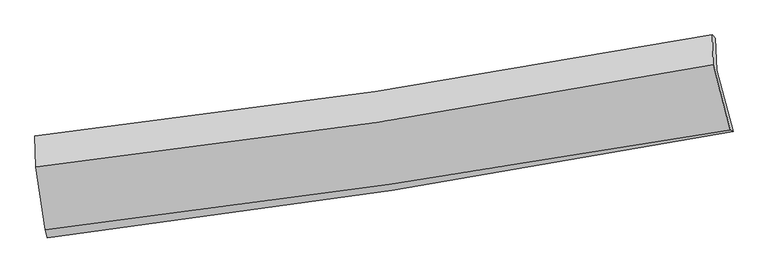
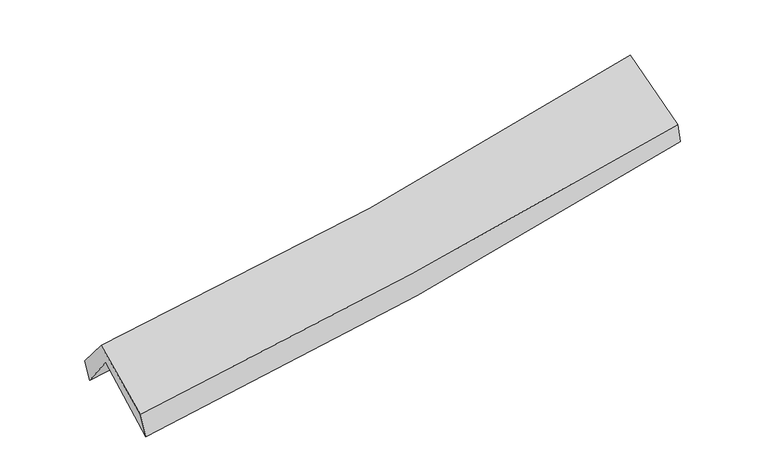
"""IFC4 building model written with IfcOpenShell, lengths in millimetres: proxy geometry."""

import ifcopenshell
import ifcopenshell.guid

model = None  # the IFC model being written
_history = None  # IfcOwnerHistory: only IFC2X3 demands one
_inside = {}  # id of a spatial element -> (the spatial element, [elements in it])
_under = {}  # id of a project, library or spatial element -> (it, [spatial elements below it])
_declared = {}  # id of a project -> (the project, [libraries it declares])
_typed = {}  # id of a type object -> (the type object, [elements of that type])
_made_of = {}  # id of a material, layer set ... -> (it, [elements and type objects made of it])


def new_model(schema):
    """Start an empty IFC model of exactly this schema.

    Asked for "IFC4X3", IfcOpenShell would pick the latest addendum, in which some entities
    have other attributes; the version numbers below select the first issue.
    IFC2X3 requires an IfcOwnerHistory on every rooted entity: one is made here for all.
    """
    global model, _history
    if schema == "IFC4X3":
        model = ifcopenshell.file(schema_version=(4, 3, 0, 0))
    else:
        model = ifcopenshell.file(schema=schema)
    _inside.clear()
    _under.clear()
    _declared.clear()
    _typed.clear()
    _made_of.clear()
    _history = None
    if model.schema == "IFC2X3":
        org = make("IfcOrganization", Name="unknown")
        user = make(
            "IfcPersonAndOrganization",
            ThePerson=make("IfcPerson", FamilyName="unknown"),
            TheOrganization=org,
        )
        app = make(
            "IfcApplication",
            ApplicationDeveloper=org,
            Version="unknown",
            ApplicationFullName="unknown",
            ApplicationIdentifier="unknown",
        )
        _history = make(
            "IfcOwnerHistory",
            OwningUser=user,
            OwningApplication=app,
            ChangeAction="ADDED",
            CreationDate=0,
        )
    return model


def make(cls, **values):
    """One entity of the class cls with the attributes given. An attribute that is None is left unset."""
    return model.create_entity(
        cls, **{name: value for name, value in values.items() if value is not None}
    )


def rooted(cls, **values):
    """An entity with a GlobalId (a new one), such as an element, a storey or a relation."""
    return make(cls, GlobalId=ifcopenshell.guid.new(), OwnerHistory=_history, **values)


def si_unit(unit_type, name, prefix=None):
    """IfcSIUnit, for example si_unit("LENGTHUNIT", "METRE", prefix="MILLI")."""
    return make("IfcSIUnit", UnitType=unit_type, Prefix=prefix, Name=name)


def assignment(units):
    """IfcUnitAssignment: the units of a project."""
    return None if units is None else make("IfcUnitAssignment", Units=units)


def point(xyz):
    """IfcCartesianPoint."""
    return None if xyz is None else make("IfcCartesianPoint", Coordinates=xyz)


def direction(xyz):
    """IfcDirection."""
    return None if xyz is None else make("IfcDirection", DirectionRatios=xyz)


def frame(location, z_axis=None, x_axis=None):
    """IfcAxis2Placement3D, a coordinate frame: its origin and axes. An axis left out is left unset."""
    return make(
        "IfcAxis2Placement3D",
        Location=point(location),
        Axis=direction(z_axis),
        RefDirection=direction(x_axis),
    )


def origin():
    """The frame at (0, 0, 0) with its axes left unset."""
    return frame((0.0, 0.0, 0.0))


def place(relative_to, where):
    """IfcLocalPlacement: puts the frame where relative to a parent placement (None: the world)."""
    return make(
        "IfcLocalPlacement", PlacementRelTo=relative_to, RelativePlacement=where
    )


def context(
    kind, dimensions, precision=None, world=None, true_north=None, identifier=None
):
    """IfcGeometricRepresentationContext, for example the 3D "Model" context."""
    return make(
        "IfcGeometricRepresentationContext",
        ContextIdentifier=identifier,
        ContextType=kind,
        CoordinateSpaceDimension=dimensions,
        Precision=precision,
        WorldCoordinateSystem=world,
        TrueNorth=true_north,
    )


def project(units=None, contexts=None):
    """IfcProject with its units and contexts."""
    return rooted(
        "IfcProject",
        Name="project",
        RepresentationContexts=contexts,
        UnitsInContext=assignment(units),
    )


def spatial(cls, under=None, at=None, **own):
    """A site, building, storey or space (cls), placed at a placement, below another one or the project."""
    s = rooted(cls, ObjectPlacement=at, **own)
    if under is not None:
        _under.setdefault(under.id(), (under, []))[1].append(s)
    return s


def shape(context_of_items, identifier, shape_type, items):
    """IfcShapeRepresentation: the items that make up one representation, for example the "Body"."""
    return make(
        "IfcShapeRepresentation",
        ContextOfItems=context_of_items,
        RepresentationIdentifier=identifier,
        RepresentationType=shape_type,
        Items=items,
    )


def source(mapping_origin, context_of_items, identifier, shape_type, items):
    """IfcRepresentationMap: a shape defined once, which mapped items show again and again."""
    return make(
        "IfcRepresentationMap",
        MappingOrigin=mapping_origin,
        MappedRepresentation=shape(context_of_items, identifier, shape_type, items),
    )


def transform(
    local_origin,
    x_axis=None,
    y_axis=None,
    z_axis=None,
    scale=None,
    scale2=None,
    scale3=None,
    uniform=True,
):
    """IfcCartesianTransformationOperator3D, or its non-uniform kind. x_axis, y_axis, z_axis: its Axis1, 2, 3."""
    if uniform:
        return make(
            "IfcCartesianTransformationOperator3D",
            Axis1=direction(x_axis),
            Axis2=direction(y_axis),
            LocalOrigin=point(local_origin),
            Scale=scale,
            Axis3=direction(z_axis),
        )
    return make(
        "IfcCartesianTransformationOperator3DnonUniform",
        Axis1=direction(x_axis),
        Axis2=direction(y_axis),
        LocalOrigin=point(local_origin),
        Scale=scale,
        Axis3=direction(z_axis),
        Scale2=scale2,
        Scale3=scale3,
    )


def mapped(mapping_source, mapping_target):
    """IfcMappedItem: shows the shape of a source again, moved by a transform."""
    return make(
        "IfcMappedItem", MappingSource=mapping_source, MappingTarget=mapping_target
    )


def made_of(thing, what):
    """Note that an element or type object is made of a material, layer set ...; save() writes the relation."""
    if what is not None:
        _made_of.setdefault(what.id(), (what, []))[1].append(thing)
    return thing


def element(
    cls,
    number,
    at=None,
    inside=None,
    cuts=None,
    type_object=None,
    material=None,
    context=None,
    identifier="Body",
    shape_type=None,
    held_by="IfcProductDefinitionShape",
    body=None,
    shapes=None,
    **own,
):
    """One element of the class cls, such as IfcWall. Its Tag is "e" and its number.

    at: its placement. inside: the storey or other place that contains it. cuts: it is an
    opening in that element (IfcRelVoidsElement). A single representation is given by context,
    identifier, shape_type and body (its items); several are given by shapes. held_by: the class
    of the entity that holds the representations. save() writes the other relations.
    """
    e = rooted(cls, Tag="e%d" % number, ObjectPlacement=at, **own)
    if body is not None:
        shapes = [shape(context, identifier, shape_type, body)]
    if shapes is not None:
        e.Representation = make(held_by, Representations=shapes)
    if inside is not None:
        _inside.setdefault(inside.id(), (inside, []))[1].append(e)
    if cuts is not None:
        rooted(
            "IfcRelVoidsElement", RelatingBuildingElement=cuts, RelatedOpeningElement=e
        )
    if type_object is not None:
        _typed.setdefault(type_object.id(), (type_object, []))[1].append(e)
    return made_of(e, material)


def aggregate(whole, parts):
    """IfcRelAggregates: a whole, such as a stair, and the parts it consists of."""
    return rooted("IfcRelAggregates", RelatingObject=whole, RelatedObjects=parts)


def save(model, path):
    """Write the relations noted so far, then the file.

    IfcRelAggregates (storeys below a building ...), IfcRelContainedInSpatialStructure (elements
    in a storey), IfcRelDefinesByType, IfcRelAssociatesMaterial and IfcRelDeclares: one each for
    every whole, place, type object, material and project.
    """
    for whole, parts in _under.values():
        aggregate(whole, parts)
    for where, things in _inside.values():
        rooted(
            "IfcRelContainedInSpatialStructure",
            RelatedElements=things,
            RelatingStructure=where,
        )
    for kind, things in _typed.values():
        rooted("IfcRelDefinesByType", RelatedObjects=things, RelatingType=kind)
    for what, things in _made_of.values():
        rooted("IfcRelAssociatesMaterial", RelatedObjects=things, RelatingMaterial=what)
    for by, libraries in _declared.values():
        rooted("IfcRelDeclares", RelatingContext=by, RelatedDefinitions=libraries)
    model.write(path)


def plane_surface(at):
    """IfcPlane: the flat surface through the origin of the frame at, square to its z axis."""
    return make("IfcPlane", Position=at)


def spline_curve(degree, points, multiplicities, knots, weights=None):
    """IfcBSplineCurveWithKnots; with weights, IfcRationalBSplineCurveWithKnots."""
    own = dict(
        Degree=degree,
        ControlPointsList=[point(p) for p in points],
        CurveForm="UNSPECIFIED",
        ClosedCurve=False,
        SelfIntersect=False,
        KnotMultiplicities=multiplicities,
        Knots=knots,
        KnotSpec="UNSPECIFIED",
    )
    if weights is None:
        return make("IfcBSplineCurveWithKnots", **own)
    return make("IfcRationalBSplineCurveWithKnots", WeightsData=weights, **own)


def spline_surface(u_degree, v_degree, points, u_multiplicities, v_multiplicities, u_knots, v_knots, weights=None):
    """IfcBSplineSurfaceWithKnots; with weights, IfcRationalBSplineSurfaceWithKnots. points: one row for each step in u."""
    own = dict(
        UDegree=u_degree,
        VDegree=v_degree,
        ControlPointsList=[[point(p) for p in row] for row in points],
        SurfaceForm="UNSPECIFIED",
        UClosed=False,
        VClosed=False,
        SelfIntersect=False,
        UMultiplicities=u_multiplicities,
        VMultiplicities=v_multiplicities,
        UKnots=u_knots,
        VKnots=v_knots,
        KnotSpec="UNSPECIFIED",
    )
    if weights is None:
        return make("IfcBSplineSurfaceWithKnots", **own)
    return make("IfcRationalBSplineSurfaceWithKnots", WeightsData=weights, **own)


def advanced_brep(points, edges, surfaces, faces):
    """IfcAdvancedBrep: a solid bounded by faces that lie on surfaces and meet in shared edges.

    An edge is (start, end): straight between two places in points (the first is 0);
    or (start, end, curve); or (start, end, curve, False) where it runs against its curve.
    A face is (place in surfaces, loops), or (place, loops, False) where it looks against
    its surface's normal. A loop lists edges by number (the first is 1), with a minus sign
    where the edge is run from its end to its start. The first loop is the outer one.
    """
    corners = [point(p) for p in points]
    vertices = [make("IfcVertexPoint", VertexGeometry=c) for c in corners]
    made = []
    for start, end, *more in edges:
        made.append(
            make(
                "IfcEdgeCurve",
                EdgeStart=vertices[start],
                EdgeEnd=vertices[end],
                EdgeGeometry=more[0] if more else make("IfcPolyline", Points=[corners[start], corners[end]]),
                SameSense=more[1] if len(more) > 1 else True,
            )
        )
    hull = []
    for where, loops, *sense in faces:
        bounds = []
        for j, loop in enumerate(loops):
            ring = [make("IfcOrientedEdge", EdgeElement=made[abs(k) - 1], Orientation=k > 0) for k in loop]
            bounds.append(
                make(
                    "IfcFaceOuterBound" if j == 0 else "IfcFaceBound",
                    Bound=make("IfcEdgeLoop", EdgeList=ring),
                    Orientation=True,
                )
            )
        hull.append(make("IfcAdvancedFace", Bounds=bounds, FaceSurface=surfaces[where], SameSense=sense[0] if sense else True))
    return make("IfcAdvancedBrep", Outer=make("IfcClosedShell", CfsFaces=hull))


def generic_models_416643f0(model_context):
    return source(origin(), model_context, "Body", "AdvancedBrep", [
        advanced_brep(
        [(-2686.2547682, -2506.0283328, 1468.209939), (-2763.780476, -1987.6685963, 1918.8720272), (2695.2431196, -1155.9170129, 2374.9152296), (2828.5582079, -1649.0919997, 1951.4165893), (-2770.1632206, -1735.1576904, 1589.3042175), (2686.1635826, -897.9907715, 2072.9301867), (-2784.7265121, -1685.5309127, 1757.397537), (2661.1349109, -871.5616225, 2250.003022), (-2777.0694518, -1934.4002299, 2058.3053009), (2668.4873128, -1110.5289514, 2538.9382968), (-2703.413456, -2443.3010042, 1658.8223686), (2807.1850746, -1639.5296076, 2121.8079508)],
        [
            (0, 1),
            (1, 2, spline_curve(3, [(-2763.780476, -1987.6685963, 1918.8720272), (-1844.70347428, -1891.559748675, 1961.736825514), (-930.06740522, -1774.156706168, 2021.19450829), (889.600076202, -1496.87237214, 2173.235251898), (1794.638539154, -1337.024886824, 2265.791969716), (2695.2431196, -1155.9170129, 2374.9152296)], [4, 2, 4], [0.0, 9.146540888225001, 18.285818453467794])),
            (2, 3),
            (3, 0, spline_curve(3, [(2828.5582079, -1649.0919997, 1951.4165893), (1917.756690542, -1822.966191485, 1845.470148086), (1002.972311393, -1981.292461578, 1752.240647936), (-835.292347208, -2266.962628672, 1591.151543146), (-1758.778960492, -2394.281803064, 1523.312159923), (-2686.2547682, -2506.0283328, 1468.209939)], [4, 2, 4], [0.0, 9.139277565242793, 18.285818453467794])),
            (1, 4),
            (4, 5, spline_curve(3, [(-2770.1632206, -1735.1576904, 1589.3042175), (-1852.597833085, -1627.420173037, 1636.026333784), (-938.942181913, -1503.75346868, 1699.712299978), (879.827211825, -1224.672540055, 1860.947887919), (1784.947161979, -1069.283604853, 1958.470578191), (2686.1635826, -897.9907715, 2072.9301867)], [4, 2, 4], [0.0, 9.097331485337401, 18.187438725174594])),
            (5, 2),
            (4, 6),
            (6, 7, spline_curve(3, [(-2784.7265121, -1685.5309127, 1757.397537), (-1868.739737011, -1583.517685402, 1802.648547933), (-956.745886698, -1464.646661107, 1866.34814125), (858.534915116, -1193.296800964, 2030.579257991), (1761.828205917, -1040.844728875, 2131.081493293), (2661.1349109, -871.5616225, 2250.003022)], [4, 2, 4], [0.0, 9.086807603604916, 18.16639931878723])),
            (7, 5),
            (6, 8),
            (8, 9, spline_curve(3, [(-2777.0694518, -1934.4002299, 2058.3053009), (-1861.027643708, -1834.175679617, 2105.719000298), (-949.031696421, -1715.372816992, 2169.501008002), (866.14746881, -1440.719563023, 2329.737992551), (1769.337109527, -1284.898666056, 2426.166983329), (2668.4873128, -1110.5289514, 2538.9382968)], [4, 2, 4], [0.0, 9.076492127034635, 18.14577655722849])),
            (9, 7),
            (8, 10),
            (10, 11, spline_curve(3, [(-2703.413456, -2443.3010042, 1658.8223686), (-1779.203869046, -2332.08775147, 1715.490357896), (-857.701200336, -2209.469040984, 1782.425886281), (979.16067932, -1941.527135212, 1936.7707143), (1894.524187181, -1796.222046368, 2024.163713048), (2807.1850746, -1639.5296076, 2121.8079508)], [4, 2, 4], [0.0, 9.124097571372445, 18.240949642135213])),
            (11, 9),
            (10, 0),
            (3, 11),
        ],
        [
            spline_surface(3, 3, [[(-2686.2547682, -2506.0283328, 1468.209939), (-1758.778960481, -2394.281803189, 1523.312159944), (-835.292347337, -2266.962628724, 1591.15154318), (1002.972311521, -1981.292461527, 1752.240647902), (1917.756690419, -1822.966191603, 1845.470148086), (2828.5582079, -1649.0919997, 1951.4165893)], [(-2712.096670813, -2333.241753958, 1618.430635054), (-1787.420465108, -2226.707784993, 1669.453715102), (-866.88403333, -2102.693987857, 1734.499198267), (965.181566423, -1819.819098372, 1892.572182535), (1876.71730664, -1660.98575664, 1985.577421911), (2784.119845145, -1484.70033742, 2092.582802719)], [(-2737.938573387, -2160.455175142, 1768.651331146), (-1816.061969697, -2059.133766823, 1815.595270297), (-898.475719288, -1938.425347051, 1877.846853327), (927.390821361, -1658.345735279, 2032.903717141), (1835.677922826, -1499.005321716, 2125.68469578), (2739.681482355, -1320.30867518, 2233.749016181)], [(-2763.780476, -1987.6685963, 1918.8720272), (-1844.703474324, -1891.559748626, 1961.736825455), (-930.067405281, -1774.156706184, 2021.194508414), (889.600076264, -1496.872372124, 2173.235251774), (1794.638539047, -1337.024886752, 2265.791969605), (2695.2431196, -1155.9170129, 2374.9152296)]], [4, 4], [4, 2, 4], [0.0, 2.1530035556724245], [0.0, 9.146540888225001, 18.285818453467794]),
            spline_surface(3, 3, [[(-2763.780476, -1987.6685963, 1918.8720272), (-1844.703474324, -1891.559748626, 1961.736825455), (-930.067405281, -1774.156706184, 2021.194508414), (889.600076264, -1496.872372124, 2173.235251774), (1794.638539047, -1337.024886752, 2265.791969605), (2695.2431196, -1155.9170129, 2374.9152296)], [(-2765.908057533, -1903.498294336, 1809.016090633), (-1847.334927226, -1803.513223404, 1853.166661566), (-933.02566422, -1684.02229366, 1914.033772268), (886.342454821, -1406.139094786, 2069.139463812), (1791.408080033, -1247.777792772, 2163.351505772), (2692.216607239, -1069.941599107, 2274.253548647)], [(-2768.035639067, -1819.327992364, 1699.160154067), (-1849.966380127, -1715.466698173, 1744.596497679), (-935.983923122, -1593.887881143, 1806.873036138), (883.084833416, -1315.405817454, 1965.043675866), (1788.177621101, -1158.530698772, 2060.911041896), (2689.190094961, -983.966185293, 2173.591867653)], [(-2770.1632206, -1735.1576904, 1589.3042175), (-1852.597833028, -1627.420172951, 1636.02633379), (-938.942182061, -1503.753468619, 1699.712299993), (879.827211973, -1224.672540116, 1860.947887905), (1784.947162087, -1069.283604793, 1958.470578063), (2686.1635826, -897.9907715, 2072.9301867)]], [4, 4], [4, 2, 4], [0.0, 1.3689767623592988], [0.0, 9.097331485337401, 18.187438725174594]),
            spline_surface(3, 3, [[(-2770.1632206, -1735.1576904, 1589.3042175), (-1852.597833028, -1627.420172951, 1636.02633379), (-938.942182061, -1503.753468619, 1699.712299993), (879.827211973, -1224.672540116, 1860.947887905), (1784.947162087, -1069.283604793, 1958.470578063), (2686.1635826, -897.9907715, 2072.9301867)], [(-2775.017651076, -1718.615431172, 1645.335324028), (-1857.978467669, -1612.786010432, 1691.567071834), (-944.876750271, -1490.717866081, 1755.257580367), (872.729779717, -1214.213960464, 1917.491677955), (1777.240843377, -1059.803979461, 2016.007549746), (2677.820692053, -889.181055176, 2131.95446512)], [(-2779.872081624, -1702.073171928, 1701.366430472), (-1863.359102381, -1598.151847896, 1747.107809793), (-950.811318528, -1477.682263495, 1810.802860777), (865.632347413, -1203.755380765, 1974.035468039), (1769.534524608, -1050.324354101, 2073.544521468), (2669.477801447, -880.371338824, 2190.97874358)], [(-2784.7265121, -1685.5309127, 1757.397537), (-1868.739737022, -1583.517685377, 1802.648547836), (-956.745886738, -1464.646660957, 1866.348141152), (858.534915157, -1193.296801114, 2030.579258089), (1761.828205897, -1040.84472877, 2131.081493151), (2661.1349109, -871.5616225, 2250.003022)]], [4, 4], [4, 2, 4], [0.0, 0.5672414060010038], [0.0, 9.086807603604916, 18.16639931878723]),
            spline_surface(3, 3, [[(-2784.7265121, -1685.5309127, 1757.397537), (-1868.739737022, -1583.517685377, 1802.648547836), (-956.745886738, -1464.646660957, 1866.348141152), (858.534915157, -1193.296801114, 2030.579258089), (1761.828205897, -1040.84472877, 2131.081493151), (2661.1349109, -871.5616225, 2250.003022)], [(-2782.174158682, -1768.487351771, 1857.700124949), (-1866.169039294, -1667.070350112, 1903.67203193), (-954.174489955, -1548.222046326, 1967.399096752), (861.072432996, -1275.771055071, 2130.298836264), (1764.331173751, -1122.196041167, 2229.443323261), (2663.585711527, -951.217398792, 2346.314780275)], [(-2779.621805218, -1851.443790829, 1958.002712951), (-1863.598341521, -1750.623014834, 2004.695516077), (-951.60309312, -1631.797431678, 2068.450052346), (863.609950888, -1358.245309011, 2230.018414432), (1766.834141624, -1203.547353587, 2327.805153345), (2666.036512173, -1030.873175108, 2442.626538525)], [(-2777.0694518, -1934.4002299, 2058.3053009), (-1861.027643793, -1834.17567957, 2105.719000171), (-949.031696337, -1715.372817047, 2169.501007947), (866.147468727, -1440.719562968, 2329.737992606), (1769.337109478, -1284.898665984, 2426.166983455), (2668.4873128, -1110.5289514, 2538.9382968)]], [4, 4], [4, 2, 4], [0.0, 1.2824401473501534], [0.0, 9.076492127034635, 18.14577655722849]),
            spline_surface(3, 3, [[(-2777.0694518, -1934.4002299, 2058.3053009), (-1861.027643793, -1834.17567957, 2105.719000171), (-949.031696337, -1715.372817047, 2169.501007947), (866.147468727, -1440.719562968, 2329.737992606), (1769.337109478, -1284.898665984, 2426.166983455), (2668.4873128, -1110.5289514, 2538.9382968)], [(-2752.517453201, -2104.033821342, 1925.144323486), (-1833.753052175, -2000.146370169, 1975.642786064), (-918.58819763, -1880.071558387, 2040.475967398), (903.818538888, -1607.655420349, 2198.748899817), (1811.066135443, -1455.339792836, 2292.165893355), (2714.719900082, -1286.862503476, 2399.894848129)], [(-2727.965454599, -2273.667412758, 1791.983346014), (-1806.478460555, -2166.117060742, 1845.566571901), (-888.144698928, -2044.770299735, 1911.450926871), (941.489609044, -1774.591277739, 2067.759807048), (1852.795161363, -1625.780919661, 2158.164803268), (2760.952487318, -1463.196055524, 2260.851399471)], [(-2703.413456, -2443.3010042, 1658.8223686), (-1779.203868938, -2332.087751342, 1715.490357795), (-857.701200221, -2209.469041075, 1782.425886323), (979.160679205, -1941.52713512, 1936.770714258), (1894.524187329, -1796.222046513, 2024.163713168), (2807.1850746, -1639.5296076, 2121.8079508)]], [4, 4], [4, 2, 4], [0.0, 2.1007824843351726], [0.0, 9.124097571372445, 18.240949642135213]),
            spline_surface(3, 3, [[(-2703.413456, -2443.3010042, 1658.8223686), (-1779.203868938, -2332.087751342, 1715.490357795), (-857.701200221, -2209.469041075, 1782.425886323), (979.160679205, -1941.52713512, 1936.770714258), (1894.524187329, -1796.222046513, 2024.163713168), (2807.1850746, -1639.5296076, 2121.8079508)], [(-2697.693893395, -2464.210113721, 1595.284892051), (-1772.395566114, -2352.819101945, 1651.430958495), (-850.231582569, -2228.633570295, 1718.667771955), (987.097890001, -1954.782243926, 1875.260692153), (1902.268355013, -1805.136761539, 1964.599191484), (2814.309452354, -1642.717071629, 2065.01083031)], [(-2691.974330805, -2485.119223279, 1531.747415549), (-1765.587263305, -2373.550452586, 1587.371559244), (-842.761964989, -2247.798099504, 1654.909657547), (995.035100725, -1968.037352721, 1813.750670007), (1910.012522734, -1814.051476577, 1905.03466977), (2821.433830146, -1645.904535671, 2008.21370979)], [(-2686.2547682, -2506.0283328, 1468.209939), (-1758.778960481, -2394.281803189, 1523.312159944), (-835.292347337, -2266.962628724, 1591.15154318), (1002.972311521, -1981.292461527, 1752.240647902), (1917.756690419, -1822.966191603, 1845.470148086), (2828.5582079, -1649.0919997, 1951.4165893)]], [4, 4], [4, 2, 4], [0.0, 0.6412998184243394], [0.0, 9.183708525140045, 18.360124212254465]),
            plane_surface(frame((2724.4620347, -1220.7699943, 2218.3352125), z_axis=(0.9793540550226526, 0.1673120405657748, 0.11345622941206927), x_axis=(0.20165257424424604, -0.7691136661878304, -0.6064655041993597))),
            plane_surface(frame((-2747.5679808, -2048.6811277, 1741.818565), z_axis=(-0.9934446986576803, -0.09921624124219354, -0.056778236875777655), x_axis=(-0.08519676911325069, 0.311455385542323, 0.9464338610538755))),
        ],
        [
            (0, [[1, 2, 3, 4]]),
            (1, [[5, 6, 7, -2]]),
            (2, [[8, 9, 10, -6]]),
            (3, [[11, 12, 13, -9]]),
            (4, [[14, 15, 16, -12]]),
            (5, [[17, -4, 18, -15]]),
            (6, [[-16, -18, -3, -7, -10, -13]]),
            (7, [[-17, -14, -11, -8, -5, -1]]),
        ],
    ),
    ])


if __name__ == "__main__":
    model = new_model("IFC4")
    model_context = context("Model", 3, world=origin())
    ifc_project = project(units=[si_unit("LENGTHUNIT", "METRE", prefix="MILLI")], contexts=[model_context])
    site = spatial("IfcSite", under=ifc_project)
    building = spatial("IfcBuilding", under=site)
    placement = place(None, origin())
    generic_models_shape = generic_models_416643f0(model_context)
    element("IfcBuildingElementProxy", 1, Name="Generic Models", at=placement, inside=building, context=model_context, shape_type="MappedRepresentation", body=[
        mapped(generic_models_shape, transform((0.0, 0.0, 0.0), x_axis=(1.0, 0.0, 0.0), y_axis=(0.0, 1.0, 0.0), z_axis=(0.0, 0.0, 1.0))),
    ])
    save(model, "model.ifc")
